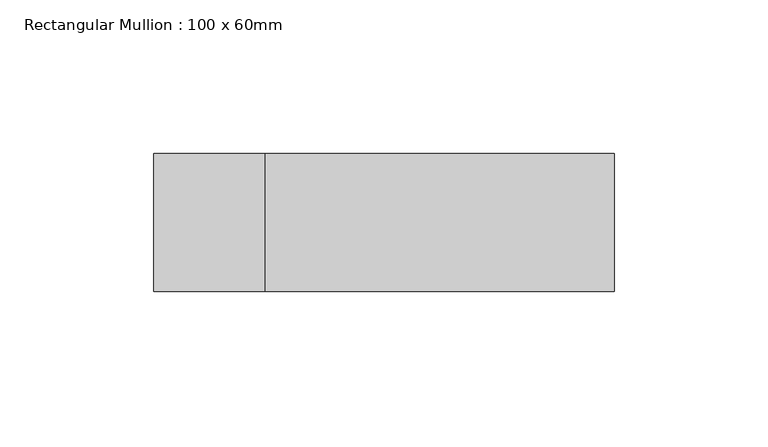
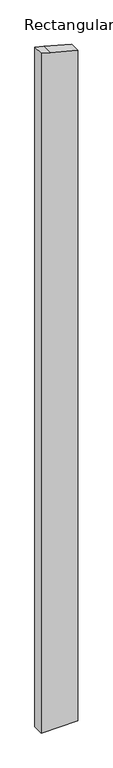
"""IFC4 building model written with IfcOpenShell, lengths in millimetres: member geometry, Rectangular Mullion : 100 x 60mm."""

import ifcopenshell
import ifcopenshell.guid

model = None  # the IFC model being written
_history = None  # IfcOwnerHistory: only IFC2X3 demands one
_inside = {}  # id of a spatial element -> (the spatial element, [elements in it])
_under = {}  # id of a project, library or spatial element -> (it, [spatial elements below it])
_declared = {}  # id of a project -> (the project, [libraries it declares])
_typed = {}  # id of a type object -> (the type object, [elements of that type])
_made_of = {}  # id of a material, layer set ... -> (it, [elements and type objects made of it])


def new_model(schema):
    """Start an empty IFC model of exactly this schema.

    Asked for "IFC4X3", IfcOpenShell would pick the latest addendum, in which some entities
    have other attributes; the version numbers below select the first issue.
    IFC2X3 requires an IfcOwnerHistory on every rooted entity: one is made here for all.
    """
    global model, _history
    if schema == "IFC4X3":
        model = ifcopenshell.file(schema_version=(4, 3, 0, 0))
    else:
        model = ifcopenshell.file(schema=schema)
    _inside.clear()
    _under.clear()
    _declared.clear()
    _typed.clear()
    _made_of.clear()
    _history = None
    if model.schema == "IFC2X3":
        org = make("IfcOrganization", Name="unknown")
        user = make(
            "IfcPersonAndOrganization",
            ThePerson=make("IfcPerson", FamilyName="unknown"),
            TheOrganization=org,
        )
        app = make(
            "IfcApplication",
            ApplicationDeveloper=org,
            Version="unknown",
            ApplicationFullName="unknown",
            ApplicationIdentifier="unknown",
        )
        _history = make(
            "IfcOwnerHistory",
            OwningUser=user,
            OwningApplication=app,
            ChangeAction="ADDED",
            CreationDate=0,
        )
    return model


def make(cls, **values):
    """One entity of the class cls with the attributes given. An attribute that is None is left unset."""
    return model.create_entity(
        cls, **{name: value for name, value in values.items() if value is not None}
    )


def rooted(cls, **values):
    """An entity with a GlobalId (a new one), such as an element, a storey or a relation."""
    return make(cls, GlobalId=ifcopenshell.guid.new(), OwnerHistory=_history, **values)


def si_unit(unit_type, name, prefix=None):
    """IfcSIUnit, for example si_unit("LENGTHUNIT", "METRE", prefix="MILLI")."""
    return make("IfcSIUnit", UnitType=unit_type, Prefix=prefix, Name=name)


def assignment(units):
    """IfcUnitAssignment: the units of a project."""
    return None if units is None else make("IfcUnitAssignment", Units=units)


def point(xyz):
    """IfcCartesianPoint."""
    return None if xyz is None else make("IfcCartesianPoint", Coordinates=xyz)


def direction(xyz):
    """IfcDirection."""
    return None if xyz is None else make("IfcDirection", DirectionRatios=xyz)


def frame(location, z_axis=None, x_axis=None):
    """IfcAxis2Placement3D, a coordinate frame: its origin and axes. An axis left out is left unset."""
    return make(
        "IfcAxis2Placement3D",
        Location=point(location),
        Axis=direction(z_axis),
        RefDirection=direction(x_axis),
    )


def origin():
    """The frame at (0, 0, 0) with its axes left unset."""
    return frame((0.0, 0.0, 0.0))


def place(relative_to, where):
    """IfcLocalPlacement: puts the frame where relative to a parent placement (None: the world)."""
    return make(
        "IfcLocalPlacement", PlacementRelTo=relative_to, RelativePlacement=where
    )


def context(
    kind, dimensions, precision=None, world=None, true_north=None, identifier=None
):
    """IfcGeometricRepresentationContext, for example the 3D "Model" context."""
    return make(
        "IfcGeometricRepresentationContext",
        ContextIdentifier=identifier,
        ContextType=kind,
        CoordinateSpaceDimension=dimensions,
        Precision=precision,
        WorldCoordinateSystem=world,
        TrueNorth=true_north,
    )


def project(units=None, contexts=None):
    """IfcProject with its units and contexts."""
    return rooted(
        "IfcProject",
        Name="project",
        RepresentationContexts=contexts,
        UnitsInContext=assignment(units),
    )


def spatial(cls, under=None, at=None, **own):
    """A site, building, storey or space (cls), placed at a placement, below another one or the project."""
    s = rooted(cls, ObjectPlacement=at, **own)
    if under is not None:
        _under.setdefault(under.id(), (under, []))[1].append(s)
    return s


def polyline(points):
    """IfcPolyline through the points."""
    return make("IfcPolyline", Points=[point(p) for p in points])


def outline(outer, holes=None, kind="AREA"):
    """IfcArbitraryClosedProfileDef: a profile drawn as a closed curve; with holes, ...WithVoids."""
    if holes is None:
        return make("IfcArbitraryClosedProfileDef", ProfileType=kind, OuterCurve=outer)
    return make(
        "IfcArbitraryProfileDefWithVoids",
        ProfileType=kind,
        OuterCurve=outer,
        InnerCurves=holes,
    )


def extrude(swept, where, along, depth):
    """IfcExtrudedAreaSolid: the profile swept, set in the frame where, extruded along a direction by depth."""
    return make(
        "IfcExtrudedAreaSolid",
        SweptArea=swept,
        Position=where,
        ExtrudedDirection=direction(along),
        Depth=depth,
    )


def shape(context_of_items, identifier, shape_type, items):
    """IfcShapeRepresentation: the items that make up one representation, for example the "Body"."""
    return make(
        "IfcShapeRepresentation",
        ContextOfItems=context_of_items,
        RepresentationIdentifier=identifier,
        RepresentationType=shape_type,
        Items=items,
    )


def source(mapping_origin, context_of_items, identifier, shape_type, items):
    """IfcRepresentationMap: a shape defined once, which mapped items show again and again."""
    return make(
        "IfcRepresentationMap",
        MappingOrigin=mapping_origin,
        MappedRepresentation=shape(context_of_items, identifier, shape_type, items),
    )


def transform(
    local_origin,
    x_axis=None,
    y_axis=None,
    z_axis=None,
    scale=None,
    scale2=None,
    scale3=None,
    uniform=True,
):
    """IfcCartesianTransformationOperator3D, or its non-uniform kind. x_axis, y_axis, z_axis: its Axis1, 2, 3."""
    if uniform:
        return make(
            "IfcCartesianTransformationOperator3D",
            Axis1=direction(x_axis),
            Axis2=direction(y_axis),
            LocalOrigin=point(local_origin),
            Scale=scale,
            Axis3=direction(z_axis),
        )
    return make(
        "IfcCartesianTransformationOperator3DnonUniform",
        Axis1=direction(x_axis),
        Axis2=direction(y_axis),
        LocalOrigin=point(local_origin),
        Scale=scale,
        Axis3=direction(z_axis),
        Scale2=scale2,
        Scale3=scale3,
    )


def mapped(mapping_source, mapping_target):
    """IfcMappedItem: shows the shape of a source again, moved by a transform."""
    return make(
        "IfcMappedItem", MappingSource=mapping_source, MappingTarget=mapping_target
    )


def made_of(thing, what):
    """Note that an element or type object is made of a material, layer set ...; save() writes the relation."""
    if what is not None:
        _made_of.setdefault(what.id(), (what, []))[1].append(thing)
    return thing


def element(
    cls,
    number,
    at=None,
    inside=None,
    cuts=None,
    type_object=None,
    material=None,
    context=None,
    identifier="Body",
    shape_type=None,
    held_by="IfcProductDefinitionShape",
    body=None,
    shapes=None,
    **own,
):
    """One element of the class cls, such as IfcWall. Its Tag is "e" and its number.

    at: its placement. inside: the storey or other place that contains it. cuts: it is an
    opening in that element (IfcRelVoidsElement). A single representation is given by context,
    identifier, shape_type and body (its items); several are given by shapes. held_by: the class
    of the entity that holds the representations. save() writes the other relations.
    """
    e = rooted(cls, Tag="e%d" % number, ObjectPlacement=at, **own)
    if body is not None:
        shapes = [shape(context, identifier, shape_type, body)]
    if shapes is not None:
        e.Representation = make(held_by, Representations=shapes)
    if inside is not None:
        _inside.setdefault(inside.id(), (inside, []))[1].append(e)
    if cuts is not None:
        rooted(
            "IfcRelVoidsElement", RelatingBuildingElement=cuts, RelatedOpeningElement=e
        )
    if type_object is not None:
        _typed.setdefault(type_object.id(), (type_object, []))[1].append(e)
    return made_of(e, material)


def aggregate(whole, parts):
    """IfcRelAggregates: a whole, such as a stair, and the parts it consists of."""
    return rooted("IfcRelAggregates", RelatingObject=whole, RelatedObjects=parts)


def save(model, path):
    """Write the relations noted so far, then the file.

    IfcRelAggregates (storeys below a building ...), IfcRelContainedInSpatialStructure (elements
    in a storey), IfcRelDefinesByType, IfcRelAssociatesMaterial and IfcRelDeclares: one each for
    every whole, place, type object, material and project.
    """
    for whole, parts in _under.values():
        aggregate(whole, parts)
    for where, things in _inside.values():
        rooted(
            "IfcRelContainedInSpatialStructure",
            RelatedElements=things,
            RelatingStructure=where,
        )
    for kind, things in _typed.values():
        rooted("IfcRelDefinesByType", RelatedObjects=things, RelatingType=kind)
    for what, things in _made_of.values():
        rooted("IfcRelAssociatesMaterial", RelatedObjects=things, RelatingMaterial=what)
    for by, libraries in _declared.values():
        rooted("IfcRelDeclares", RelatingContext=by, RelatedDefinitions=libraries)
    model.write(path)


def rectangular_mullion_100_x_60mm_aa395c18(model_context):
    return source(origin(), model_context, "Body", "SweptSolid", [
        extrude(outline(polyline([(-175.3876165, 75.0), (-144.8888739, -38.8228568), (-135.1952376, -75.0), (-3077.3482466, -75.0), (-3077.3482466, 75.0), (-175.3876165, 75.0)])), frame((0.0, -15.0, 0.0), z_axis=(0.0, 1.0, 0.0), x_axis=(0.0, 0.0, 1.0)), (0.0, 0.0, 1.0), 45.0),
    ])


if __name__ == "__main__":
    model = new_model("IFC4")
    model_context = context("Model", 3, world=origin())
    ifc_project = project(units=[si_unit("LENGTHUNIT", "METRE", prefix="MILLI")], contexts=[model_context])
    site = spatial("IfcSite", under=ifc_project)
    building = spatial("IfcBuilding", under=site)
    placement = place(None, origin())
    rectangular_mullion_100_x_60mm_shape = rectangular_mullion_100_x_60mm_aa395c18(model_context)
    element("IfcMember", 1, ObjectType="Rectangular Mullion : 100 x 60mm", at=placement, inside=building, context=model_context, shape_type="MappedRepresentation", body=[
        mapped(rectangular_mullion_100_x_60mm_shape, transform((0.0, 0.0, 0.0), x_axis=(1.0, 0.0, 0.0), y_axis=(0.0, 1.0, 0.0), z_axis=(0.0, 0.0, 1.0))),
    ])
    save(model, "model.ifc")
